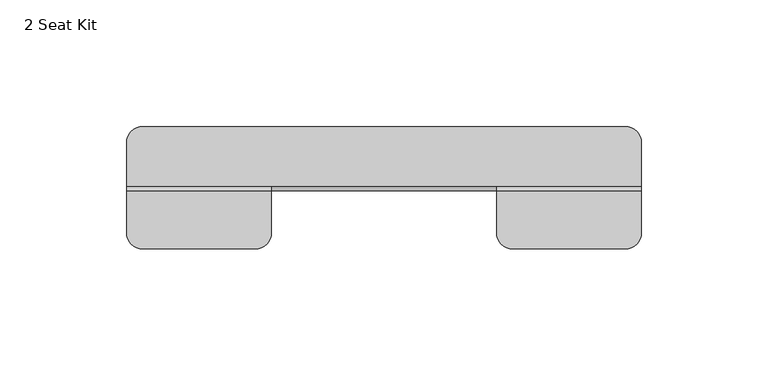
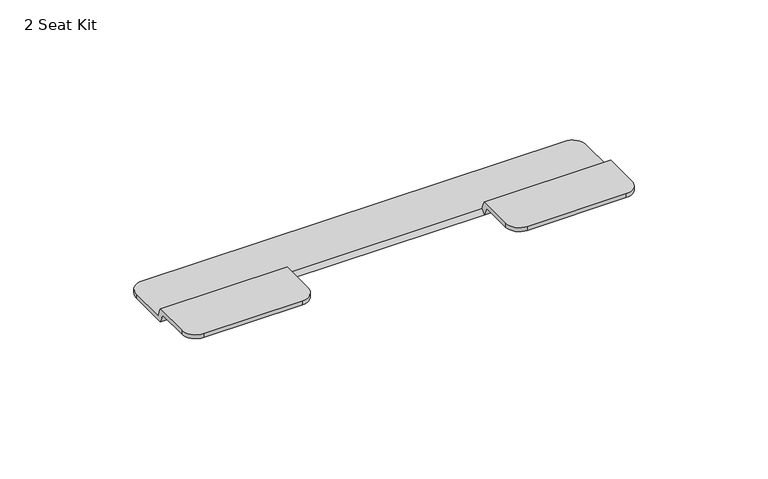
"""IFC4 building model written with IfcOpenShell, lengths in millimetres: furniture geometry, 2 Seat Kit."""

from ifc_helpers import new_model, si_unit, frame, origin, place, context, project, spatial, circle_curve, source, transform, mapped, element, save
from ifc_brep_helpers import plane_surface, cylinder_surface, advanced_brep


def furniture_2_seat_kit_4d803cdc(model_context):
    return source(origin(), model_context, "Body", "AdvancedBrep", [
        advanced_brep(
        [(101.600003, -13.2092169, 710.1652279), (95.250003, -6.8592169, 710.1652279), (-95.250003, -6.8592169, 710.1652279), (-101.600003, -13.2092169, 710.1652279), (-101.600003, -30.3542178, 710.1652279), (-44.449997, -30.3542178, 710.1652279), (44.4499985, -30.3542178, 710.1652279), (101.600003, -30.3542178, 710.1652279), (-101.600003, -13.2092169, 708.2601843), (-95.250003, -6.8592169, 708.2601843), (95.250003, -6.8592169, 708.2601843), (101.600003, -13.2092169, 708.2601843), (101.600003, -32.259216, 708.2601843), (44.4499985, -32.259216, 708.2601843), (-44.449997, -32.259216, 708.2601843), (-101.6000015, -32.259216, 708.2601843), (101.600003, -32.259216, 714.4578438), (101.600003, -48.7692192, 714.4578438), (101.600003, -48.7692192, 712.5528002), (101.600003, -34.1642164, 712.5528002), (-101.600003, -34.1642164, 712.5528002), (-101.600003, -48.7692192, 712.5528002), (-101.600003, -48.7692192, 714.4578438), (-101.600003, -32.259216, 714.4578438), (44.4499985, -34.1642164, 712.5528002), (44.4499985, -48.7692192, 712.5528002), (44.4499985, -48.7692192, 714.4578438), (44.4499985, -32.259216, 714.4578438), (50.7999985, -55.1192192, 714.4578438), (95.250003, -55.1192192, 714.4578438), (-44.449997, -34.1642164, 712.5528002), (-44.449997, -32.259216, 714.4578438), (-44.449997, -48.7692192, 714.4578438), (-44.449997, -48.7692192, 712.5528002), (-95.250003, -55.1192192, 714.4578438), (-50.7999985, -55.1192192, 714.4578438), (-50.7999985, -55.1192192, 712.5528002), (-95.250003, -55.1192192, 712.5528002), (95.250003, -55.1192192, 712.5528002), (50.7999985, -55.1192192, 712.5528002)],
        [
            (0, 1, circle_curve(frame((95.250003, -13.2092169, 710.1652279), z_axis=(0.0, 0.0, 1.0), x_axis=(1.0, 0.0, 0.0)), 6.35)),
            (1, 2),
            (2, 3, circle_curve(frame((-95.250003, -13.2092169, 710.1652279), z_axis=(0.0, 0.0, 1.0), x_axis=(1.0, 0.0, 0.0)), 6.35)),
            (3, 4),
            (4, 5),
            (5, 6),
            (6, 7),
            (7, 0),
            (8, 9, circle_curve(frame((-95.250003, -13.2092169, 708.2601843), z_axis=(0.0, 0.0, -1.0), x_axis=(1.0, 0.0, 0.0)), 6.35)),
            (9, 10),
            (10, 11, circle_curve(frame((95.250003, -13.2092169, 708.2601843), z_axis=(0.0, 0.0, -1.0), x_axis=(1.0, 0.0, 0.0)), 6.35)),
            (11, 12),
            (12, 13),
            (13, 14),
            (14, 15),
            (15, 8),
            (11, 0),
            (7, 16),
            (16, 17),
            (17, 18),
            (18, 19),
            (19, 12),
            (10, 1),
            (9, 2),
            (8, 3),
            (15, 20),
            (20, 21),
            (21, 22),
            (22, 23),
            (23, 4),
            (13, 6),
            (5, 14),
            (13, 24),
            (24, 25),
            (25, 26),
            (26, 27),
            (27, 6),
            (27, 16),
            (26, 28, circle_curve(frame((50.7999985, -48.7692192, 714.4578438), z_axis=(0.0, 0.0, 1.0), x_axis=(1.0, 0.0, 0.0)), 6.35)),
            (28, 29),
            (29, 17, circle_curve(frame((95.250003, -48.7692192, 714.4578438), z_axis=(0.0, 0.0, 1.0), x_axis=(1.0, 0.0, 0.0)), 6.35)),
            (19, 24),
            (30, 14),
            (5, 31),
            (31, 32),
            (32, 33),
            (33, 30),
            (23, 31),
            (22, 34, circle_curve(frame((-95.250003, -48.7692192, 714.4578438), z_axis=(0.0, 0.0, 1.0), x_axis=(1.0, 0.0, 0.0)), 6.35)),
            (34, 35),
            (35, 32, circle_curve(frame((-50.7999985, -48.7692192, 714.4578438), z_axis=(0.0, 0.0, 1.0), x_axis=(1.0, 0.0, 0.0)), 6.35)),
            (30, 20),
            (33, 36, circle_curve(frame((-50.7999985, -48.7692192, 712.5528002), z_axis=(0.0, 0.0, -1.0), x_axis=(1.0, 0.0, 0.0)), 6.35)),
            (36, 37),
            (37, 21, circle_curve(frame((-95.250003, -48.7692192, 712.5528002), z_axis=(0.0, 0.0, -1.0), x_axis=(1.0, 0.0, 0.0)), 6.35)),
            (37, 34),
            (36, 35),
            (18, 38, circle_curve(frame((95.250003, -48.7692192, 712.5528002), z_axis=(0.0, 0.0, -1.0), x_axis=(1.0, 0.0, 0.0)), 6.35)),
            (38, 39),
            (39, 25, circle_curve(frame((50.7999985, -48.7692192, 712.5528002), z_axis=(0.0, 0.0, -1.0), x_axis=(1.0, 0.0, 0.0)), 6.35)),
            (39, 28),
            (38, 29),
        ],
        [
            plane_surface(frame((-101.600003, -22.2619064, 710.1652279), z_axis=(0.0, 0.0, 1.0), x_axis=(1.0, 0.0, 0.0))),
            plane_surface(frame((-101.600003, -22.2619064, 708.2601843), z_axis=(0.0, 0.0, -1.0), x_axis=(-1.0, 0.0, 0.0))),
            plane_surface(frame((101.600003, -22.2619064, 710.1652279), z_axis=(1.0, 0.0, 0.0), x_axis=(0.0, 0.0, -1.0))),
            cylinder_surface(frame((95.250003, -13.2092169, 708.2601843), z_axis=(0.0, 0.0, 1.0), x_axis=(1.0, 0.0, 0.0)), 6.35),
            plane_surface(frame((95.250003, -6.8592169, 710.1652279), z_axis=(0.0, 1.0, 0.0), x_axis=(0.0, 0.0, -1.0))),
            cylinder_surface(frame((-95.250003, -13.2092169, 708.2601843), z_axis=(0.0, 0.0, 1.0), x_axis=(1.0, 0.0, 0.0)), 6.35),
            plane_surface(frame((-101.600003, -13.2092169, 710.1652279), z_axis=(-1.0, 0.0, 0.0), x_axis=(0.0, 0.0, -1.0))),
            plane_surface(frame((101.600003, -30.3542178, 710.1652279), z_axis=(0.0, -0.7071152104135613, 0.7070983518590501), x_axis=(-1.0, 0.0, 0.0))),
            plane_surface(frame((44.4499985, -32.259216, 708.2601843), z_axis=(-1.0, 0.0, 0.0), x_axis=(0.0, -1.0, 0.0))),
            plane_surface(frame((101.600003, -29.5087882, 708.2601843), z_axis=(0.0, 0.9140351414268495, 0.40563500864299107), x_axis=(-1.0, 0.0, 0.0))),
            plane_surface(frame((101.600003, -32.259216, 714.4578438), z_axis=(0.0, 0.0, 1.0), x_axis=(-1.0, 0.0, 0.0))),
            plane_surface(frame((101.600003, -34.1642164, 712.5528002), z_axis=(0.0, -0.9140349621416668, -0.4056354126339093), x_axis=(-1.0, 0.0, 0.0))),
            plane_surface(frame((-44.449997, -32.259216, 708.2601843), z_axis=(1.0, 0.0, 0.0), x_axis=(0.0, 1.0, 0.0))),
            plane_surface(frame((-44.449997, -29.5087882, 708.2601843), z_axis=(0.0, 0.9140351414268495, 0.40563500864299107), x_axis=(-1.0, 0.0, 0.0))),
            plane_surface(frame((-44.449997, -32.259216, 714.4578438), z_axis=(0.0, 0.0, 1.0), x_axis=(-1.0, 0.0, 0.0))),
            plane_surface(frame((-44.449997, -34.1642164, 712.5528002), z_axis=(0.0, -0.9140349621416668, -0.4056354126339093), x_axis=(-1.0, 0.0, 0.0))),
            plane_surface(frame((-101.6000015, -34.1642164, 712.5528002), z_axis=(0.0, 0.0, -1.0), x_axis=(1.0, 0.0, 0.0))),
            cylinder_surface(frame((-95.250003, -48.7692192, 712.5528002), z_axis=(0.0, 0.0, 1.0), x_axis=(1.0, 0.0, 0.0)), 6.35),
            plane_surface(frame((-95.250003, -55.1192192, 714.4578438), z_axis=(0.0, -1.0, 0.0), x_axis=(0.0, 0.0, -1.0))),
            cylinder_surface(frame((-50.7999985, -48.7692192, 712.5528002), z_axis=(0.0, 0.0, 1.0), x_axis=(1.0, 0.0, 0.0)), 6.35),
            plane_surface(frame((44.45, -34.1642164, 712.5528002), z_axis=(0.0, 0.0, -1.0), x_axis=(1.0, 0.0, 0.0))),
            cylinder_surface(frame((50.7999985, -48.7692192, 712.5528002), z_axis=(0.0, 0.0, 1.0), x_axis=(1.0, 0.0, 0.0)), 6.35),
            plane_surface(frame((50.7999985, -55.1192192, 714.4578438), z_axis=(0.0, -1.0, 0.0), x_axis=(0.0, 0.0, -1.0))),
            cylinder_surface(frame((95.250003, -48.7692192, 712.5528002), z_axis=(0.0, 0.0, 1.0), x_axis=(1.0, 0.0, 0.0)), 6.35),
        ],
        [
            (0, [[1, 2, 3, 4, 5, 6, 7, 8]]),
            (1, [[9, 10, 11, 12, 13, 14, 15, 16]]),
            (2, [[17, -8, 18, 19, 20, 21, 22, -12]]),
            (3, [[-1, -17, -11, 23]]),
            (4, [[-2, -23, -10, 24]]),
            (5, [[-3, -24, -9, 25]]),
            (6, [[-25, -16, 26, 27, 28, 29, 30, -4]]),
            (7, [[31, -6, 32, -14]]),
            (8, [[33, 34, 35, 36, 37, -31]]),
            (9, [[38, -18, -7, -37]]),
            (10, [[-19, -38, -36, 39, 40, 41]]),
            (11, [[-22, 42, -33, -13]]),
            (12, [[43, -32, 44, 45, 46, 47]]),
            (13, [[48, -44, -5, -30]]),
            (14, [[-48, -29, 49, 50, 51, -45]]),
            (15, [[-43, 52, -26, -15]]),
            (16, [[-47, 53, 54, 55, -27, -52]]),
            (17, [[-49, -28, -55, 56]]),
            (18, [[-50, -56, -54, 57]]),
            (19, [[-51, -57, -53, -46]]),
            (20, [[-21, 58, 59, 60, -34, -42]]),
            (21, [[-39, -35, -60, 61]]),
            (22, [[-40, -61, -59, 62]]),
            (23, [[-41, -62, -58, -20]]),
        ],
    ),
    ])


if __name__ == "__main__":
    model = new_model("IFC4")
    model_context = context("Model", 3, world=origin())
    ifc_project = project(units=[si_unit("LENGTHUNIT", "METRE", prefix="MILLI")], contexts=[model_context])
    site = spatial("IfcSite", under=ifc_project)
    building = spatial("IfcBuilding", under=site)
    placement = place(None, origin())
    furniture_2_seat_kit_shape = furniture_2_seat_kit_4d803cdc(model_context)
    element("IfcFurniture", 1, ObjectType="2 Seat Kit", at=placement, inside=building, context=model_context, shape_type="MappedRepresentation", body=[
        mapped(furniture_2_seat_kit_shape, transform((0.0, 0.0, 0.0), x_axis=(1.0, 0.0, 0.0), y_axis=(0.0, 1.0, 0.0), z_axis=(0.0, 0.0, 1.0))),
    ])
    save(model, "model.ifc")
